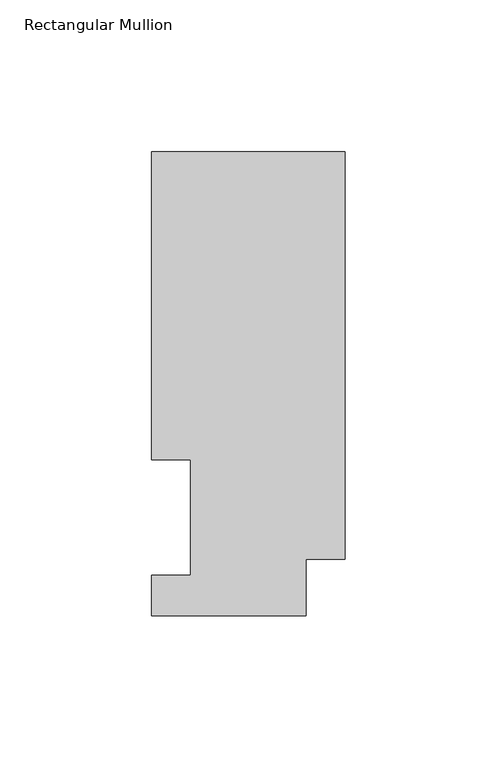
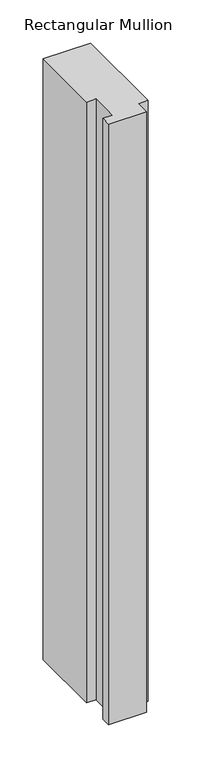
"""IFC4 building model written with IfcOpenShell, lengths in millimetres: member geometry, Rectangular Mullion."""

from ifc_helpers import new_model, si_unit, frame, origin, place, context, project, spatial, polyline, outline, extrude, source, transform, mapped, element, save


def rectangular_mullion_e6521286(model_context):
    return source(origin(), model_context, "Body", "SweptSolid", [
        extrude(outline(polyline([(0.0, 152.4988119), (0.0, 18.5222276), (-12.7, 18.5222276), (-12.7, 0.0134937), (-63.5, 0.0134937), (-63.5, 13.1960938), (-50.8, 13.1960938), (-50.8, 51.2960938), (-63.5, 51.2960938), (-63.5, 152.4988119), (0.0, 152.4988119)])), frame((0.0, 0.0, -850.9), z_axis=(0.0, 0.0, 1.0), x_axis=(1.0, 0.0, 0.0)), (0.0, 0.0, 1.0), 850.9),
    ])


if __name__ == "__main__":
    model = new_model("IFC4")
    model_context = context("Model", 3, world=origin())
    ifc_project = project(units=[si_unit("LENGTHUNIT", "METRE", prefix="MILLI")], contexts=[model_context])
    site = spatial("IfcSite", under=ifc_project)
    building = spatial("IfcBuilding", under=site)
    placement = place(None, origin())
    rectangular_mullion_shape = rectangular_mullion_e6521286(model_context)
    element("IfcMember", 1, ObjectType="Rectangular Mullion", at=placement, inside=building, context=model_context, shape_type="MappedRepresentation", body=[
        mapped(rectangular_mullion_shape, transform((0.0, 0.0, 0.0), x_axis=(1.0, 0.0, 0.0), y_axis=(0.0, 1.0, 0.0), z_axis=(0.0, 0.0, 1.0))),
    ])
    save(model, "model.ifc")
